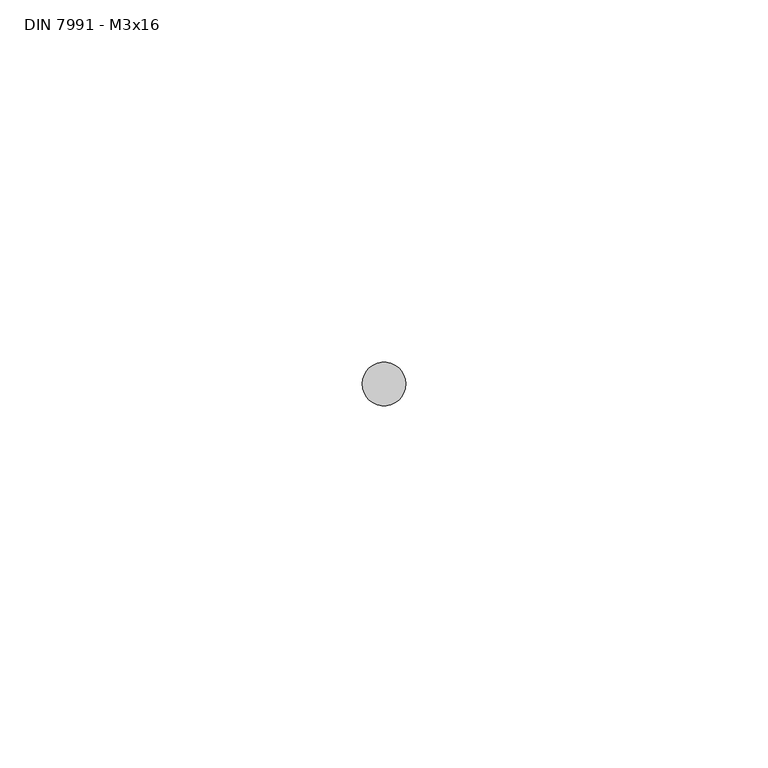
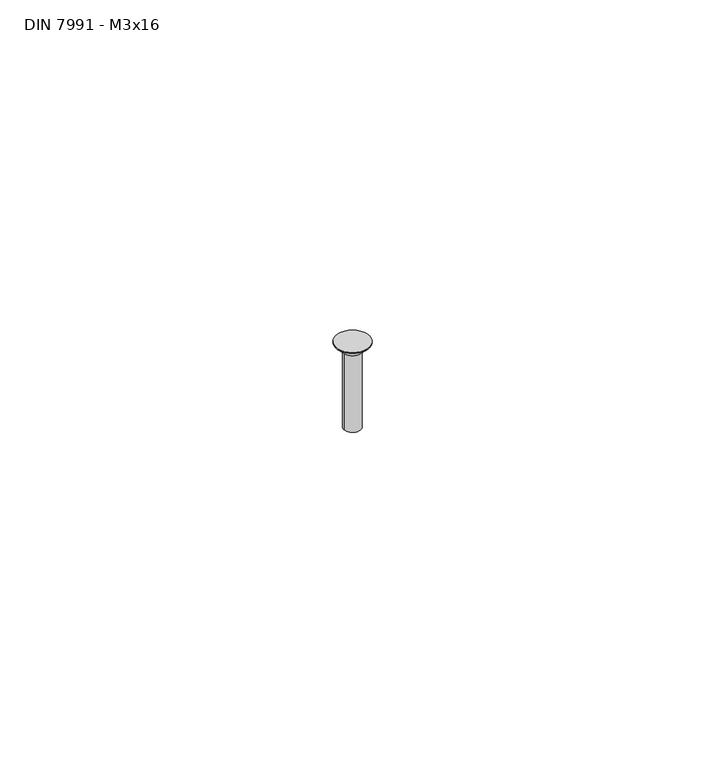
"""IFC4 building model written with IfcOpenShell, lengths in millimetres: proxy geometry, DIN 7991 - M3x16."""

from ifc_helpers import new_model, si_unit, frame, origin, origin_with_axes, place, context, project, spatial, polyline, circle_curve, source, transform, mapped, element, save
from ifc_brep_helpers import plane_surface, cylinder_surface, revolved_surface, advanced_brep


def din_7991_m3x16_85124e47(model_context):
    return source(origin(), model_context, "Body", "AdvancedBrep", [
        advanced_brep(
        [(3.0, 0.0, 0.0), (3.0, 0.0, -0.2), (-3.0, 0.0, -0.2), (-3.0, 0.0, 0.0), (1.5, 0.0, -1.7), (1.5, 0.0, -16.0), (-1.5, 0.0, -16.0), (-1.5, 0.0, -1.7)],
        [
            (0, 1),
            (1, 2, circle_curve(frame((0.0, 0.0, -0.2), z_axis=(0.0, 0.0, 1.0), x_axis=(1.0, 0.0, 0.0)), 3.0)),
            (2, 3),
            (3, 0, circle_curve(frame((0.0, 0.0, 0.0), z_axis=(0.0, 0.0, -1.0), x_axis=(1.0, 0.0, 0.0)), 3.0)),
            (4, 5),
            (5, 6, circle_curve(frame((0.0, 0.0, -16.0), z_axis=(0.0, 0.0, 1.0), x_axis=(1.0, 0.0, 0.0)), 1.5)),
            (6, 7),
            (7, 4, circle_curve(frame((0.0, 0.0, -1.7), z_axis=(0.0, 0.0, -1.0), x_axis=(1.0, 0.0, 0.0)), 1.5)),
            (1, 4),
            (7, 2),
            (1, 2, circle_curve(frame((0.0, 0.0, -0.2), z_axis=(0.0, 0.0, -1.0), x_axis=(1.0, 0.0, 0.0)), 3.0)),
            (7, 4, circle_curve(frame((0.0, 0.0, -1.7), z_axis=(0.0, 0.0, 1.0), x_axis=(1.0, 0.0, 0.0)), 1.5)),
            (3, 0, circle_curve(origin_with_axes(), 3.0)),
            (6, 5, circle_curve(frame((0.0, 0.0, -16.0), z_axis=(0.0, 0.0, 1.0), x_axis=(1.0, 0.0, 0.0)), 1.5)),
        ],
        [
            cylinder_surface(frame((0.0, 0.0, -0.1), z_axis=(0.0, 0.0, -1.0), x_axis=(1.0, 0.0, 0.0)), 3.0),
            cylinder_surface(frame((0.0, 0.0, -8.85), z_axis=(0.0, 0.0, -1.0), x_axis=(1.0, 0.0, 0.0)), 1.5),
            revolved_surface(polyline([(1.5000000000000004, 0.0, -1.6999999999999997), (3.0, 0.0, -0.20000000000000018)]), (0.0, 0.0, -3.2), (0.0, 0.0, 1.0)),
            plane_surface(frame((1.5, 0.0, 0.0), z_axis=(0.0, 0.0, 1.0), x_axis=(1.0, 0.0, 0.0))),
            plane_surface(frame((0.75, 0.0, -16.0), z_axis=(0.0, 0.0, -1.0), x_axis=(-1.0, 0.0, 0.0))),
        ],
        [
            (0, [[1, 2, 3, 4]]),
            (1, [[5, 6, 7, 8]]),
            (2, [[9, -8, 10, -2]]),
            (2, [[-9, 11, -10, 12]]),
            (3, [[13, -4]]),
            (1, [[-5, -12, -7, 14]]),
            (4, [[-14, -6]]),
            (0, [[-1, -13, -3, -11]]),
        ],
    ),
    ])


if __name__ == "__main__":
    model = new_model("IFC4")
    model_context = context("Model", 3, world=origin())
    ifc_project = project(units=[si_unit("LENGTHUNIT", "METRE", prefix="MILLI")], contexts=[model_context])
    site = spatial("IfcSite", under=ifc_project)
    building = spatial("IfcBuilding", under=site)
    placement = place(None, origin())
    din_7991_m3x16_shape = din_7991_m3x16_85124e47(model_context)
    element("IfcBuildingElementProxy", 1, Name="DIN 7991 - M3x16", ObjectType="DIN 7991 - M3x16", at=placement, inside=building, context=model_context, shape_type="MappedRepresentation", body=[
        mapped(din_7991_m3x16_shape, transform((0.0, 0.0, 0.0), x_axis=(1.0, 0.0, 0.0), y_axis=(0.0, 1.0, 0.0), z_axis=(0.0, 0.0, 1.0))),
    ])
    save(model, "model.ifc")
